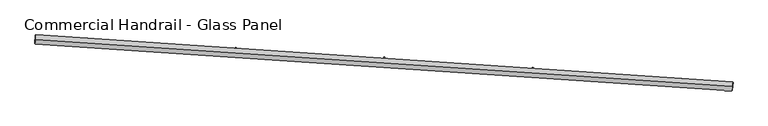
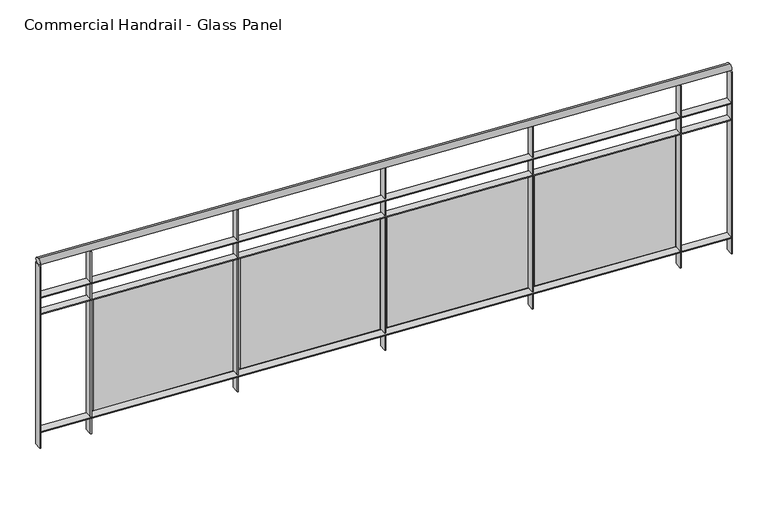
"""IFC4 building model written with IfcOpenShell, lengths in millimetres: railing geometry, Commercial Handrail - Glass Panel."""

from ifc_helpers import new_model, si_unit, point, frame, origin, place, context, project, spatial, polyline, circle_curve, ellipse_curve, trimmed, outline, extrude, source, transform, mapped, element, save
from ifc_brep_helpers import plane_surface, cylinder_surface, revolved_surface, advanced_brep


def commercial_handrail_glass_panel_4b00785f(model_context):
    return source(origin(), model_context, "Body", "SolidModel", [
        advanced_brep(
        [(127087.1570921, -8003.1164337, 6082.5), (123343.3137882, -7749.5898626, 6082.5), (123343.3137882, -7749.5898626, 6117.5), (127087.1570921, -8003.1164337, 6117.5)],
        [
            (0, 1, circle_curve(frame((111605.6979329, -208849.2754237, 6082.5), z_axis=(0.0, 0.0, 1.0), x_axis=(0.05826798461119784, 0.9983009776461952, 0.0)), 201441.93992)),
            (1, 2, ellipse_curve(frame((123343.3137882, -7749.5898626, 6100.0), z_axis=(0.9983009776461951, -0.05826798461120427, 0.0), x_axis=(-0.058267984611204256, -0.9983009776461949, 0.0)), 25.0, 17.5)),
            (2, 3, circle_curve(frame((111605.6979329, -208849.2754237, 6117.5), z_axis=(0.0, 0.0, -1.0), x_axis=(0.05826798461119784, 0.9983009776461952, 0.0)), 201441.93992)),
            (3, 0, ellipse_curve(frame((127087.1570921, -8003.1164337, 6100.0), z_axis=(-0.9970424186232613, 0.07685320725823894, 0.0), x_axis=(-0.07685320725823892, -0.997042418623261, 0.0)), 25.0, 17.5)),
            (2, 1, ellipse_curve(frame((123343.3137882, -7749.5898626, 6100.0), z_axis=(0.9983009776461951, -0.05826798461120427, 0.0), x_axis=(-0.058267984611204256, -0.9983009776461949, 0.0)), 25.0, 17.5)),
            (0, 3, ellipse_curve(frame((127087.1570921, -8003.1164337, 6100.0), z_axis=(-0.9970424186232613, 0.07685320725823894, 0.0), x_axis=(-0.07685320725823892, -0.997042418623261, 0.0)), 25.0, 17.5)),
        ],
        [
            revolved_surface(trimmed(ellipse_curve(frame((123343.3137882, -7749.5898626, 6100.0), z_axis=(-0.9983009776461952, 0.05826798461119784, 0.0), x_axis=(0.0, 0.0, -1.0)), 17.5, 25.0), [point((123343.3137882, -7749.5898626, 6117.5))], [point((123343.3137882, -7749.5898626, 6082.5))], True, "CARTESIAN"), (111605.6979329, -208849.2754237, 6100.0), (0.0, 0.0, -1.0)),
            revolved_surface(trimmed(ellipse_curve(frame((123343.3137882, -7749.5898626, 6100.0), z_axis=(-0.9983009776461952, 0.05826798461119784, 0.0), x_axis=(0.0, 0.0, -1.0)), 17.5, 25.0), [point((123343.3137882, -7749.5898626, 6082.5))], [point((123343.3137882, -7749.5898626, 6117.5))], True, "CARTESIAN"), (111605.6979329, -208849.2754237, 6100.0), (0.0, 0.0, -1.0)),
            plane_surface(frame((123343.3137882, -7749.5898626, 6100.0), z_axis=(-0.9983009776461953, 0.058267984611197844, 0.0), x_axis=(0.058267984611197844, 0.9983009776461953, 0.0))),
            plane_surface(frame((127087.1570921, -8003.1164337, 6100.0), z_axis=(0.9970424186232612, -0.07685320725823909, 0.0), x_axis=(0.07685320725823909, 0.9970424186232612, 0.0))),
        ],
        [
            (0, [[1, 2, 3, 4]]),
            (1, [[-3, 5, -1, 6]]),
            (2, [[-2, -5]]),
            (3, [[-6, -4]]),
        ],
    ),
        advanced_brep(
        [(127088.8862893, -7980.6829793, 5900.0), (123344.6248179, -7727.1280906, 5900.0), (123342.0027586, -7772.0516346, 5900.0), (127085.4278949, -8025.5498881, 5900.0), (127088.8862893, -7980.6829793, 5894.0), (123344.6248179, -7727.1280906, 5894.0), (127085.4278949, -8025.5498881, 5894.0), (123342.0027586, -7772.0516346, 5894.0)],
        [
            (0, 1, circle_curve(frame((111605.6979329, -208849.2754237, 5900.0), z_axis=(0.0, 0.0, 1.0), x_axis=(0.05826798461119784, 0.9983009776461952, 0.0)), 201464.43992)),
            (1, 2),
            (2, 3, circle_curve(frame((111605.6979329, -208849.2754237, 5900.0), z_axis=(0.0, 0.0, -1.0), x_axis=(0.05826798461119784, 0.9983009776461952, 0.0)), 201419.43992)),
            (3, 0),
            (4, 5, circle_curve(frame((111605.6979329, -208849.2754237, 5894.0), z_axis=(0.0, 0.0, 1.0), x_axis=(0.05826798461119784, 0.9983009776461952, 0.0)), 201464.43992)),
            (5, 1),
            (0, 4),
            (6, 7, circle_curve(frame((111605.6979329, -208849.2754237, 5894.0), z_axis=(0.0, 0.0, 1.0), x_axis=(0.05826798461119784, 0.9983009776461952, 0.0)), 201419.43992)),
            (7, 5),
            (4, 6),
            (2, 7),
            (6, 3),
        ],
        [
            plane_surface(frame((111605.6979329, -208849.2754237, 5900.0), z_axis=(0.0, 0.0, 1.0), x_axis=(0.058267984611197844, 0.9983009776461953, 0.0))),
            cylinder_surface(frame((111605.6979329, -208849.2754237, 5900.0), z_axis=(0.0, 0.0, -1.0), x_axis=(0.05826798461119784, 0.9983009776461952, 0.0)), 201464.43992),
            plane_surface(frame((111605.6979329, -208849.2754237, 5894.0), z_axis=(0.0, 0.0, -1.0), x_axis=(0.058267984611197844, 0.9983009776461953, 0.0))),
            revolved_surface(polyline([(123342.00275855465, -7772.051634614909, 5894.0), (123342.00275855465, -7772.051634614909, 5900.0)]), (111605.6979329, -208849.2754237, 5900.0), (0.0, 0.0, -1.0)),
            plane_surface(frame((123343.3137882, -7749.5898626, 5900.0), z_axis=(-0.9983009776461953, 0.058267984611197844, 0.0), x_axis=(0.058267984611197844, 0.9983009776461953, 0.0))),
            plane_surface(frame((127087.1570921, -8003.1164337, 5900.0), z_axis=(0.9970424186232612, -0.07685320725823909, 0.0), x_axis=(0.07685320725823909, 0.9970424186232612, 0.0))),
        ],
        [
            (0, [[1, 2, 3, 4]]),
            (1, [[5, 6, -1, 7]]),
            (2, [[8, 9, -5, 10]]),
            (3, [[-3, 11, -8, 12]]),
            (4, [[-2, -6, -9, -11]]),
            (5, [[-12, -10, -7, -4]]),
        ],
    ),
        advanced_brep(
        [(127088.8862893, -7980.6829793, 5800.0), (123344.6248179, -7727.1280906, 5800.0), (123342.0027586, -7772.0516346, 5800.0), (127085.4278949, -8025.5498881, 5800.0), (127088.8862893, -7980.6829793, 5794.0), (123344.6248179, -7727.1280906, 5794.0), (127085.4278949, -8025.5498881, 5794.0), (123342.0027586, -7772.0516346, 5794.0)],
        [
            (0, 1, circle_curve(frame((111605.6979329, -208849.2754237, 5800.0), z_axis=(0.0, 0.0, 1.0), x_axis=(0.05826798461119784, 0.9983009776461952, 0.0)), 201464.43992)),
            (1, 2),
            (2, 3, circle_curve(frame((111605.6979329, -208849.2754237, 5800.0), z_axis=(0.0, 0.0, -1.0), x_axis=(0.05826798461119784, 0.9983009776461952, 0.0)), 201419.43992)),
            (3, 0),
            (4, 5, circle_curve(frame((111605.6979329, -208849.2754237, 5794.0), z_axis=(0.0, 0.0, 1.0), x_axis=(0.05826798461119784, 0.9983009776461952, 0.0)), 201464.43992)),
            (5, 1),
            (0, 4),
            (6, 7, circle_curve(frame((111605.6979329, -208849.2754237, 5794.0), z_axis=(0.0, 0.0, 1.0), x_axis=(0.05826798461119784, 0.9983009776461952, 0.0)), 201419.43992)),
            (7, 5),
            (4, 6),
            (2, 7),
            (6, 3),
        ],
        [
            plane_surface(frame((111605.6979329, -208849.2754237, 5800.0), z_axis=(0.0, 0.0, 1.0), x_axis=(0.058267984611197844, 0.9983009776461953, 0.0))),
            cylinder_surface(frame((111605.6979329, -208849.2754237, 5800.0), z_axis=(0.0, 0.0, -1.0), x_axis=(0.05826798461119784, 0.9983009776461952, 0.0)), 201464.43992),
            plane_surface(frame((111605.6979329, -208849.2754237, 5794.0), z_axis=(0.0, 0.0, -1.0), x_axis=(0.058267984611197844, 0.9983009776461953, 0.0))),
            revolved_surface(polyline([(123342.00275855465, -7772.051634614909, 5794.0), (123342.00275855465, -7772.051634614909, 5800.0)]), (111605.6979329, -208849.2754237, 5800.0), (0.0, 0.0, -1.0)),
            plane_surface(frame((123343.3137882, -7749.5898626, 5800.0), z_axis=(-0.9983009776461953, 0.058267984611197844, 0.0), x_axis=(0.058267984611197844, 0.9983009776461953, 0.0))),
            plane_surface(frame((127087.1570921, -8003.1164337, 5800.0), z_axis=(0.9970424186232612, -0.07685320725823909, 0.0), x_axis=(0.07685320725823909, 0.9970424186232612, 0.0))),
        ],
        [
            (0, [[1, 2, 3, 4]]),
            (1, [[5, 6, -1, 7]]),
            (2, [[8, 9, -5, 10]]),
            (3, [[-3, 11, -8, 12]]),
            (4, [[-2, -6, -9, -11]]),
            (5, [[-12, -10, -7, -4]]),
        ],
    ),
        advanced_brep(
        [(127088.8862893, -7980.6829793, 5100.0), (123344.6248179, -7727.1280906, 5100.0), (123342.0027586, -7772.0516346, 5100.0), (127085.4278949, -8025.5498881, 5100.0), (127088.8862893, -7980.6829793, 5094.0), (123344.6248179, -7727.1280906, 5094.0), (127085.4278949, -8025.5498881, 5094.0), (123342.0027586, -7772.0516346, 5094.0)],
        [
            (0, 1, circle_curve(frame((111605.6979329, -208849.2754237, 5100.0), z_axis=(0.0, 0.0, 1.0), x_axis=(0.05826798461119784, 0.9983009776461952, 0.0)), 201464.43992)),
            (1, 2),
            (2, 3, circle_curve(frame((111605.6979329, -208849.2754237, 5100.0), z_axis=(0.0, 0.0, -1.0), x_axis=(0.05826798461119784, 0.9983009776461952, 0.0)), 201419.43992)),
            (3, 0),
            (4, 5, circle_curve(frame((111605.6979329, -208849.2754237, 5094.0), z_axis=(0.0, 0.0, 1.0), x_axis=(0.05826798461119784, 0.9983009776461952, 0.0)), 201464.43992)),
            (5, 1),
            (0, 4),
            (6, 7, circle_curve(frame((111605.6979329, -208849.2754237, 5094.0), z_axis=(0.0, 0.0, 1.0), x_axis=(0.05826798461119784, 0.9983009776461952, 0.0)), 201419.43992)),
            (7, 5),
            (4, 6),
            (2, 7),
            (6, 3),
        ],
        [
            plane_surface(frame((111605.6979329, -208849.2754237, 5100.0), z_axis=(0.0, 0.0, 1.0), x_axis=(0.058267984611197844, 0.9983009776461953, 0.0))),
            cylinder_surface(frame((111605.6979329, -208849.2754237, 5100.0), z_axis=(0.0, 0.0, -1.0), x_axis=(0.05826798461119784, 0.9983009776461952, 0.0)), 201464.43992),
            plane_surface(frame((111605.6979329, -208849.2754237, 5094.0), z_axis=(0.0, 0.0, -1.0), x_axis=(0.058267984611197844, 0.9983009776461953, 0.0))),
            revolved_surface(polyline([(123342.00275855465, -7772.051634614909, 5094.0), (123342.00275855465, -7772.051634614909, 5100.0)]), (111605.6979329, -208849.2754237, 5100.0), (0.0, 0.0, -1.0)),
            plane_surface(frame((123343.3137882, -7749.5898626, 5100.0), z_axis=(-0.9983009776461953, 0.058267984611197844, 0.0), x_axis=(0.058267984611197844, 0.9983009776461953, 0.0))),
            plane_surface(frame((127087.1570921, -8003.1164337, 5100.0), z_axis=(0.9970424186232612, -0.07685320725823909, 0.0), x_axis=(0.07685320725823909, 0.9970424186232612, 0.0))),
        ],
        [
            (0, [[1, 2, 3, 4]]),
            (1, [[5, 6, -1, 7]]),
            (2, [[8, 9, -5, 10]]),
            (3, [[-3, 11, -8, 12]]),
            (4, [[-2, -6, -9, -11]]),
            (5, [[-12, -10, -7, -4]]),
        ],
    ),
        extrude(outline(polyline([(126807.0337746, -8004.2850074), (126810.43064, -7959.4133983), (126816.4135212, -7959.8663137), (126813.0166558, -8004.7379228), (126807.0337746, -8004.2850074)])), frame((0.0, 0.0, 5000.0), z_axis=(0.0, 0.0, 1.0), x_axis=(1.0, 0.0, 0.0)), (0.0, 0.0, 1.0), 1082.1192282),
        extrude(outline(polyline([(126034.3041964, -7918.3613778), (126792.2482403, -7974.2257342), (126791.3661716, -7986.1932717), (126033.4221277, -7930.3289154), (126034.3041964, -7918.3613778)])), frame((0.0, 0.0, 5120.0), z_axis=(0.0, 0.0, 1.0), x_axis=(1.0, 0.0, 0.0)), (0.0, 0.0, 1.0), 660.0),
        extrude(outline(polyline([(126009.2867014, -7945.4989105), (126012.5053388, -7900.614165), (126018.4899716, -7901.0433167), (126015.2713341, -7945.9280621), (126009.2867014, -7945.4989105)])), frame((0.0, 0.0, 5000.0), z_axis=(0.0, 0.0, 1.0), x_axis=(1.0, 0.0, 0.0)), (0.0, 0.0, 1.0), 1082.1192282),
        extrude(outline(polyline([(125236.2219835, -7862.6447436), (125994.3819077, -7915.4985929), (125993.5473732, -7927.4695391), (125235.387449, -7874.6156898), (125236.2219835, -7862.6447436)])), frame((0.0, 0.0, 5120.0), z_axis=(0.0, 0.0, 1.0), x_axis=(1.0, 0.0, 0.0)), (0.0, 0.0, 1.0), 660.0),
        extrude(outline(polyline([(125211.3124586, -7889.8814157), (125214.3528173, -7844.9842418), (125220.3391071, -7845.389623), (125217.2987484, -7890.2867968), (125211.3124586, -7889.8814157)])), frame((0.0, 0.0, 5000.0), z_axis=(0.0, 0.0, 1.0), x_axis=(1.0, 0.0, 0.0)), (0.0, 0.0, 1.0), 1082.1192282),
        extrude(outline(polyline([(124437.9247935, -7810.0980184), (125196.2886404, -7859.940527), (125195.5016534, -7871.914693), (124437.1378065, -7822.0721844), (124437.9247935, -7810.0980184)])), frame((0.0, 0.0, 5120.0), z_axis=(0.0, 0.0, 1.0), x_axis=(1.0, 0.0, 0.0)), (0.0, 0.0, 1.0), 660.0),
        extrude(outline(polyline([(124413.1236316, -7837.4334002), (124415.9856636, -7792.5245061), (124421.9735161, -7792.9061104), (124419.1114841, -7837.8150045), (124413.1236316, -7837.4334002)])), frame((0.0, 0.0, 5000.0), z_axis=(0.0, 0.0, 1.0), x_axis=(1.0, 0.0, 0.0)), (0.0, 0.0, 1.0), 1082.1192282),
        extrude(outline(polyline([(123639.4252169, -7760.7220307), (124397.9810259, -7807.5524126), (124397.2415988, -7819.5296096), (123638.6857898, -7772.6992277), (123639.4252169, -7760.7220307)])), frame((0.0, 0.0, 5120.0), z_axis=(0.0, 0.0, 1.0), x_axis=(1.0, 0.0, 0.0)), (0.0, 0.0, 1.0), 660.0),
        extrude(outline(polyline([(123614.7328091, -7788.1556913), (123617.4164693, -7743.2357852), (123623.4057901, -7743.5936065), (123620.72213, -7788.5135127), (123614.7328091, -7788.1556913)])), frame((0.0, 0.0, 5000.0), z_axis=(0.0, 0.0, 1.0), x_axis=(1.0, 0.0, 0.0)), (0.0, 0.0, 1.0), 1082.1192282),
        extrude(outline(polyline([(127082.4367677, -8025.3193285), (127085.895162, -7980.4524197), (127091.8774165, -7980.9135389), (127088.4190222, -8025.7804477), (127082.4367677, -8025.3193285)])), frame((0.0, 0.0, 5000.0), z_axis=(0.0, 0.0, 1.0), x_axis=(1.0, 0.0, 0.0)), (0.0, 0.0, 1.0), 1082.1192282),
        extrude(outline(polyline([(123339.0078557, -7771.8768307), (123341.629915, -7726.9532867), (123347.6197208, -7727.3028946), (123344.9976615, -7772.2264386), (123339.0078557, -7771.8768307)])), frame((0.0, 0.0, 5000.0), z_axis=(0.0, 0.0, 1.0), x_axis=(1.0, 0.0, 0.0)), (0.0, 0.0, 1.0), 1082.1192282),
    ])


if __name__ == "__main__":
    model = new_model("IFC4")
    model_context = context("Model", 3, world=origin())
    ifc_project = project(units=[si_unit("LENGTHUNIT", "METRE", prefix="MILLI")], contexts=[model_context])
    site = spatial("IfcSite", under=ifc_project)
    building = spatial("IfcBuilding", under=site)
    placement = place(None, origin())
    commercial_handrail_glass_panel_shape = commercial_handrail_glass_panel_4b00785f(model_context)
    element("IfcRailing", 1, ObjectType="Commercial Handrail - Glass Panel", at=placement, inside=building, context=model_context, shape_type="MappedRepresentation", body=[
        mapped(commercial_handrail_glass_panel_shape, transform((0.0, 0.0, 0.0), x_axis=(1.0, 0.0, 0.0), y_axis=(0.0, 1.0, 0.0), z_axis=(0.0, 0.0, 1.0))),
    ])
    save(model, "model.ifc")
